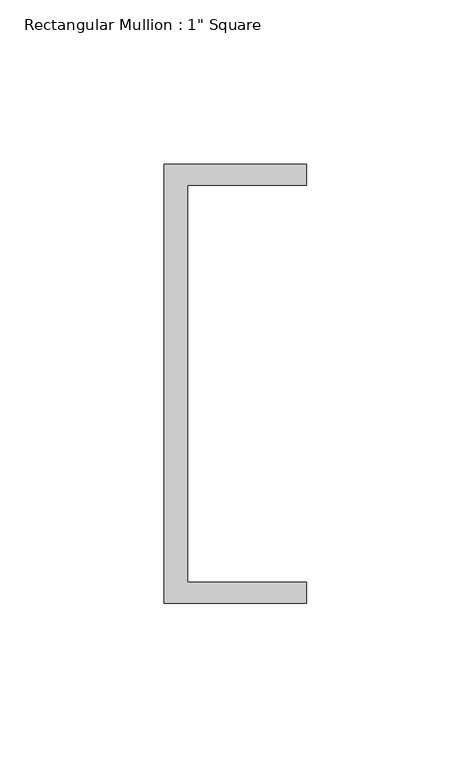
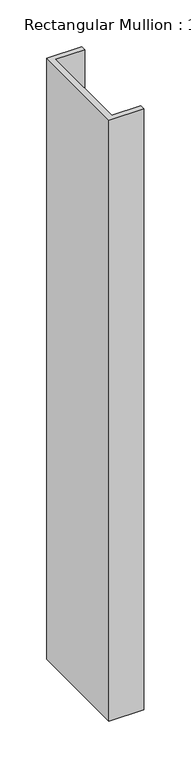
"""IFC4 building model written with IfcOpenShell, lengths in millimetres: member geometry."""

from ifc_helpers import new_model, si_unit, frame, origin, place, context, project, spatial, polyline, outline, extrude, source, transform, mapped, element, save


def member_d7916161(model_context):
    return source(origin(), model_context, "Body", "SweptSolid", [
        extrude(outline(polyline([(-18.6549463, 135.2608739), (24.5675083, 135.2608739), (24.5675083, 128.9108739), (-11.6110886, 128.9108739), (-11.6110886, 8.2608739), (24.5675083, 8.2608739), (24.5675083, 1.9108739), (-18.6549463, 1.9108739), (-18.6549463, 135.2608739)])), frame((0.0, 0.0, -786.1241476), z_axis=(0.0, 0.0, 1.0), x_axis=(1.0, 0.0, 0.0)), (0.0, 0.0, 1.0), 786.1241476),
    ])


if __name__ == "__main__":
    model = new_model("IFC4")
    model_context = context("Model", 3, world=origin())
    ifc_project = project(units=[si_unit("LENGTHUNIT", "METRE", prefix="MILLI")], contexts=[model_context])
    site = spatial("IfcSite", under=ifc_project)
    building = spatial("IfcBuilding", under=site)
    placement = place(None, origin())
    member_shape = member_d7916161(model_context)
    element("IfcMember", 1, ObjectType="Rectangular Mullion : 1\" Square", at=placement, inside=building, context=model_context, shape_type="MappedRepresentation", body=[
        mapped(member_shape, transform((0.0, 0.0, 0.0), x_axis=(1.0, 0.0, 0.0), y_axis=(0.0, 1.0, 0.0), z_axis=(0.0, 0.0, 1.0))),
    ])
    save(model, "model.ifc")
